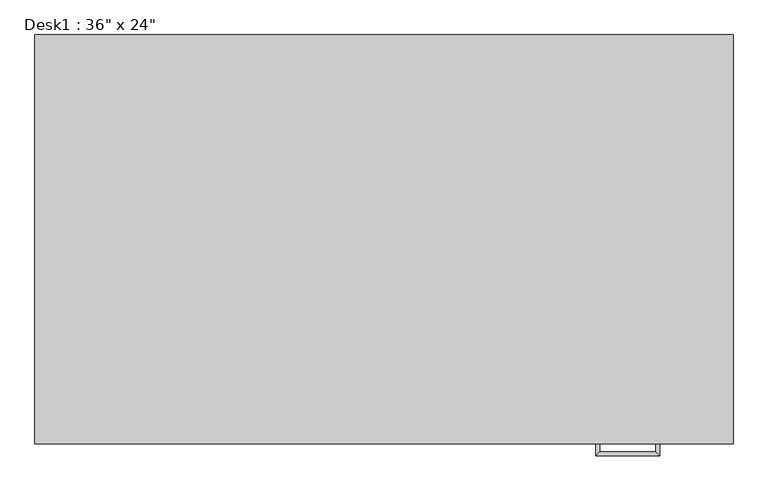
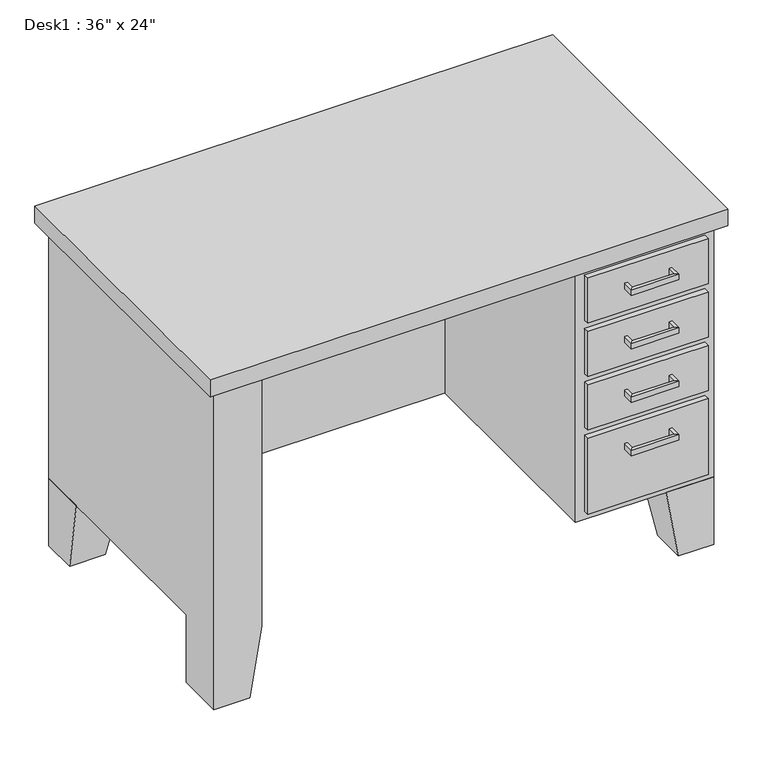
"""IFC4 building model written with IfcOpenShell, lengths in millimetres: furniture geometry."""

from ifc_helpers import new_model, si_unit, frame, origin, place, context, project, spatial, polyline, outline, extrude, faceted_brep, source, transform, mapped, element, save


def furniture_176d20a0(model_context):
    return source(origin(), model_context, "Body", "SolidModel", [
        extrude(outline(polyline([(1019.1786865, 76.2), (1276.35, 76.2), (1276.35, 63.5), (1019.1786865, 63.5), (1019.1786865, 76.2)])), frame((0.0, 0.0, 603.25), z_axis=(0.0, 0.0, 1.0), x_axis=(1.0, 0.0, 0.0)), (0.0, 0.0, 1.0), 101.6),
        extrude(outline(polyline([(1019.1786865, 76.2), (1276.35, 76.2), (1276.35, 63.5), (1019.1786865, 63.5), (1019.1786865, 76.2)])), frame((0.0, 0.0, 171.45), z_axis=(0.0, 0.0, 1.0), x_axis=(1.0, 0.0, 0.0)), (0.0, 0.0, 1.0), 171.45),
        extrude(outline(polyline([(1019.1786865, 76.2), (1276.35, 76.2), (1276.35, 63.5), (1019.1786865, 63.5), (1019.1786865, 76.2)])), frame((0.0, 0.0, 482.6), z_axis=(0.0, 0.0, 1.0), x_axis=(1.0, 0.0, 0.0)), (0.0, 0.0, 1.0), 101.6),
        extrude(outline(polyline([(1019.1786865, 76.2), (1276.35, 76.2), (1276.35, 63.5), (1019.1786865, 63.5), (1019.1786865, 76.2)])), frame((0.0, 0.0, 361.95), z_axis=(0.0, 0.0, 1.0), x_axis=(1.0, 0.0, 0.0)), (0.0, 0.0, 1.0), 101.6),
        faceted_brep([(330.2, 685.8, 152.4), (228.6, 685.8, 152.4), (228.6, 584.2, 152.4), (330.2, 584.2, 152.4), (304.8, 685.8, 0.0), (304.8, 609.6, 0.0), (228.6, 609.6, 0.0), (228.6, 685.8, 0.0)], [[[0, 1, 2, 3]], [[4, 5, 6, 7]], [[4, 7, 1, 0]], [[7, 6, 2, 1]], [[6, 5, 3, 2]], [[5, 4, 0, 3]]]),
        faceted_brep([(1193.8, 685.8, 152.4), (1193.8, 584.2, 152.4), (1295.4, 584.2, 152.4), (1295.4, 685.8, 152.4), (1219.2, 685.8, 0.0), (1295.4, 685.8, 0.0), (1295.4, 609.6, 0.0), (1219.2, 609.6, 0.0)], [[[0, 1, 2, 3]], [[4, 5, 6, 7]], [[4, 7, 1, 0]], [[7, 6, 2, 1]], [[6, 5, 3, 2]], [[5, 4, 0, 3]]]),
        faceted_brep([(1193.8, 76.2, 152.4), (1295.4, 76.2, 152.4), (1295.4, 177.8, 152.4), (1193.8, 177.8, 152.4), (1219.2, 76.2, 0.0), (1219.2, 152.4, 0.0), (1295.4, 152.4, 0.0), (1295.4, 76.2, 0.0)], [[[0, 1, 2, 3]], [[4, 5, 6, 7]], [[4, 7, 1, 0]], [[7, 6, 2, 1]], [[6, 5, 3, 2]], [[5, 4, 0, 3]]]),
        extrude(outline(polyline([(209.55, 57.15), (209.55, 704.85), (1314.45, 704.85), (1314.45, 57.15), (209.55, 57.15)])), frame((0.0, 0.0, 723.9), z_axis=(0.0, 0.0, 1.0), x_axis=(1.0, 0.0, 0.0)), (0.0, 0.0, 1.0), 38.1),
        faceted_brep([(1192.2143433, 63.5, 304.8), (1198.5643433, 63.5, 304.8), (1198.5643433, 63.5, 292.1), (1192.2143433, 63.5, 292.1), (1192.2143433, 44.45, 304.8), (1198.5643433, 38.1, 304.8), (1198.5643433, 38.1, 292.1), (1192.2143433, 44.45, 292.1), (1103.3143433, 44.45, 304.8), (1096.9643433, 38.1, 304.8), (1096.9643433, 38.1, 292.1), (1103.3143433, 44.45, 292.1), (1103.3143433, 63.5, 304.8), (1103.3143433, 63.5, 292.1), (1096.9643433, 63.5, 292.1), (1096.9643433, 63.5, 304.8)], [[[0, 1, 2, 3]], [[1, 0, 4, 5]], [[2, 1, 5, 6]], [[3, 2, 6, 7]], [[0, 3, 7, 4]], [[5, 4, 8, 9]], [[6, 5, 9, 10]], [[7, 6, 10, 11]], [[4, 7, 11, 8]], [[12, 13, 14, 15]], [[9, 8, 12, 15]], [[10, 9, 15, 14]], [[11, 10, 14, 13]], [[8, 11, 13, 12]]]),
        faceted_brep([(1192.2143433, 63.5, 425.45), (1198.5643433, 63.5, 425.45), (1198.5643433, 63.5, 412.75), (1192.2143433, 63.5, 412.75), (1192.2143433, 44.45, 425.45), (1198.5643433, 38.1, 425.45), (1198.5643433, 38.1, 412.75), (1192.2143433, 44.45, 412.75), (1103.3143433, 44.45, 425.45), (1096.9643433, 38.1, 425.45), (1096.9643433, 38.1, 412.75), (1103.3143433, 44.45, 412.75), (1103.3143433, 63.5, 425.45), (1103.3143433, 63.5, 412.75), (1096.9643433, 63.5, 412.75), (1096.9643433, 63.5, 425.45)], [[[0, 1, 2, 3]], [[1, 0, 4, 5]], [[2, 1, 5, 6]], [[3, 2, 6, 7]], [[0, 3, 7, 4]], [[5, 4, 8, 9]], [[6, 5, 9, 10]], [[7, 6, 10, 11]], [[4, 7, 11, 8]], [[12, 13, 14, 15]], [[9, 8, 12, 15]], [[10, 9, 15, 14]], [[11, 10, 14, 13]], [[8, 11, 13, 12]]]),
        faceted_brep([(1192.2143433, 63.5, 546.1), (1198.5643433, 63.5, 546.1), (1198.5643433, 63.5, 533.4), (1192.2143433, 63.5, 533.4), (1192.2143433, 44.45, 546.1), (1198.5643433, 38.1, 546.1), (1198.5643433, 38.1, 533.4), (1192.2143433, 44.45, 533.4), (1103.3143433, 44.45, 546.1), (1096.9643433, 38.1, 546.1), (1096.9643433, 38.1, 533.4), (1103.3143433, 44.45, 533.4), (1103.3143433, 63.5, 546.1), (1103.3143433, 63.5, 533.4), (1096.9643433, 63.5, 533.4), (1096.9643433, 63.5, 546.1)], [[[0, 1, 2, 3]], [[1, 0, 4, 5]], [[2, 1, 5, 6]], [[3, 2, 6, 7]], [[0, 3, 7, 4]], [[5, 4, 8, 9]], [[6, 5, 9, 10]], [[7, 6, 10, 11]], [[4, 7, 11, 8]], [[12, 13, 14, 15]], [[9, 8, 12, 15]], [[10, 9, 15, 14]], [[11, 10, 14, 13]], [[8, 11, 13, 12]]]),
        faceted_brep([(1192.2143433, 63.5, 666.75), (1198.5643433, 63.5, 666.75), (1198.5643433, 63.5, 654.05), (1192.2143433, 63.5, 654.05), (1192.2143433, 44.45, 666.75), (1198.5643433, 38.1, 666.75), (1198.5643433, 38.1, 654.05), (1192.2143433, 44.45, 654.05), (1103.3143433, 44.45, 666.75), (1096.9643433, 38.1, 666.75), (1096.9643433, 38.1, 654.05), (1103.3143433, 44.45, 654.05), (1103.3143433, 63.5, 666.75), (1103.3143433, 63.5, 654.05), (1096.9643433, 63.5, 654.05), (1096.9643433, 63.5, 666.75)], [[[0, 1, 2, 3]], [[1, 0, 4, 5]], [[2, 1, 5, 6]], [[3, 2, 6, 7]], [[0, 3, 7, 4]], [[5, 4, 8, 9]], [[6, 5, 9, 10]], [[7, 6, 10, 11]], [[4, 7, 11, 8]], [[12, 13, 14, 15]], [[9, 8, 12, 15]], [[10, 9, 15, 14]], [[11, 10, 14, 13]], [[8, 11, 13, 12]]]),
        faceted_brep([(330.2, 177.8, 723.9), (238.4223686, 177.8, 723.9), (238.4223686, 558.8, 723.9), (1000.1286865, 558.8, 723.9), (1000.1286865, 76.2, 723.9), (1295.4, 76.2, 723.9), (1295.4, 685.8, 723.9), (228.6, 685.8, 723.9), (228.6, 76.2, 723.9), (330.2, 76.2, 723.9), (330.2, 177.8, 152.4), (304.8, 177.8, 0.0), (228.6, 177.8, 0.0), (228.6, 177.8, 152.4), (238.4223686, 177.8, 152.4), (228.6, 76.2, 0.0), (304.8, 76.2, 0.0), (330.2, 76.2, 152.4), (228.6, 685.8, 152.4), (1000.1286865, 76.2, 152.4), (1000.1286865, 558.8, 152.4), (238.4223686, 558.8, 152.4), (1295.4, 685.8, 152.4), (1295.4, 76.2, 152.4)], [[[0, 1, 2, 3, 4, 5, 6, 7, 8, 9]], [[1, 0, 10, 11, 12, 13, 14]], [[9, 8, 15, 16, 17]], [[0, 9, 17, 10]], [[16, 15, 12, 11]], [[16, 11, 10, 17]], [[12, 15, 8, 7, 18, 13]], [[19, 20, 21, 14, 13, 18, 22, 23]], [[5, 4, 19, 23]], [[6, 5, 23, 22]], [[7, 6, 22, 18]], [[21, 2, 1, 14]], [[3, 2, 21, 20]], [[4, 3, 20, 19]]]),
    ])


if __name__ == "__main__":
    model = new_model("IFC4")
    model_context = context("Model", 3, world=origin())
    ifc_project = project(units=[si_unit("LENGTHUNIT", "METRE", prefix="MILLI")], contexts=[model_context])
    site = spatial("IfcSite", under=ifc_project)
    building = spatial("IfcBuilding", under=site)
    placement = place(None, origin())
    furniture_shape = furniture_176d20a0(model_context)
    element("IfcFurniture", 1, ObjectType="Desk1 : 36\" x 24\"", at=placement, inside=building, context=model_context, shape_type="MappedRepresentation", body=[
        mapped(furniture_shape, transform((0.0, 0.0, 0.0), x_axis=(1.0, 0.0, 0.0), y_axis=(0.0, 1.0, 0.0), z_axis=(0.0, 0.0, 1.0))),
    ])
    save(model, "model.ifc")
